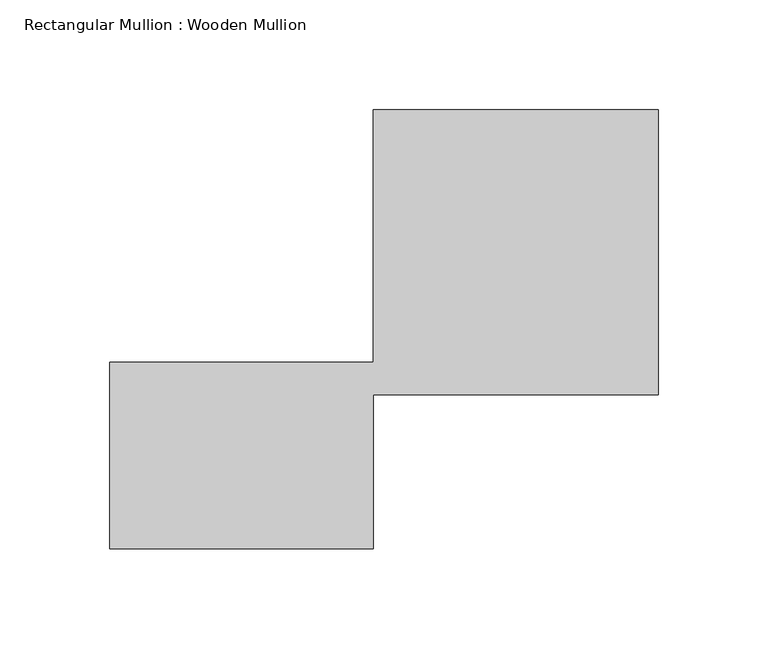
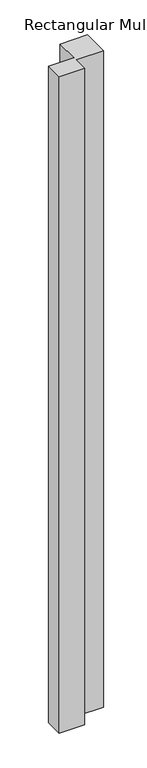
"""IFC4 building model written with IfcOpenShell, lengths in millimetres: member geometry, Rectangular Mullion : Wooden Mullion."""

from ifc_helpers import new_model, si_unit, frame, origin, place, context, project, spatial, polyline, outline, extrude, source, transform, mapped, element, save


def rectangular_mullion_wooden_mullion_f1c4027f(model_context):
    return source(origin(), model_context, "Body", "SweptSolid", [
        extrude(outline(polyline([(74.8100006, -26.0137344), (-45.1899994, -26.0137344), (-45.1899994, 58.9862656), (74.8100006, 58.9862656), (74.8100006, 173.9862656), (204.8100006, 173.9862656), (204.8100006, 43.9862656), (74.8100006, 43.9862656), (74.8100006, -26.0137344)])), frame((0.0, 0.0, -3283.0195915), z_axis=(0.0, 0.0, 1.0), x_axis=(1.0, 0.0, 0.0)), (0.0, 0.0, 1.0), 3283.0195915),
    ])


if __name__ == "__main__":
    model = new_model("IFC4")
    model_context = context("Model", 3, world=origin())
    ifc_project = project(units=[si_unit("LENGTHUNIT", "METRE", prefix="MILLI")], contexts=[model_context])
    site = spatial("IfcSite", under=ifc_project)
    building = spatial("IfcBuilding", under=site)
    placement = place(None, origin())
    rectangular_mullion_wooden_mullion_shape = rectangular_mullion_wooden_mullion_f1c4027f(model_context)
    element("IfcMember", 1, ObjectType="Rectangular Mullion : Wooden Mullion", at=placement, inside=building, context=model_context, shape_type="MappedRepresentation", body=[
        mapped(rectangular_mullion_wooden_mullion_shape, transform((0.0, 0.0, 0.0), x_axis=(1.0, 0.0, 0.0), y_axis=(0.0, 1.0, 0.0), z_axis=(0.0, 0.0, 1.0))),
    ])
    save(model, "model.ifc")
